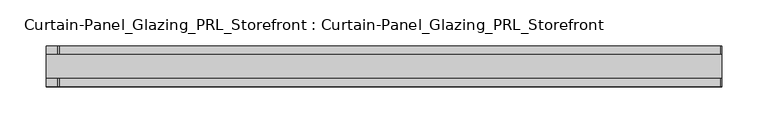
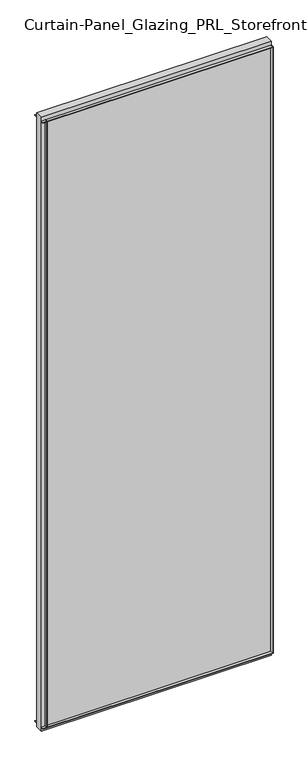
"""IFC4 building model written with IfcOpenShell, lengths in millimetres: plate geometry, Curtain-Panel_Glazing_PRL_Storefront : Curtain-Panel_Glazing_PRL_Storefront."""

from ifc_helpers import new_model, si_unit, frame, origin, origin_with_axes, place, context, project, spatial, polyline, outline, extrude, source, transform, mapped, element, save


def curtain_panel_glazing_prl_storefront_curtain_panel_glazing_5ced46e8(model_context):
    return source(origin(), model_context, "Body", "SweptSolid", [
        extrude(outline(polyline([(338.6666667, -22.225), (337.0791667, -22.225), (337.0791667, -12.7), (338.6666667, -12.7), (338.6666667, -22.225)])), frame((0.0, 0.0, 12.7), z_axis=(0.0, 0.0, 1.0), x_axis=(1.0, 0.0, 0.0)), (0.0, 0.0, 1.0), 2047.08125),
        extrude(outline(polyline([(338.6666667, 22.225), (338.6666667, 12.7), (337.0791667, 12.7), (337.0791667, 22.225), (338.6666667, 22.225)])), frame((0.0, 0.0, 12.7), z_axis=(0.0, 0.0, 1.0), x_axis=(1.0, 0.0, 0.0)), (0.0, 0.0, 1.0), 2047.08125),
        extrude(outline(polyline([(-383.1166667, -22.225), (-383.1166667, -12.7), (-381.5291667, -12.7), (-381.5291667, -22.225), (-383.1166667, -22.225)])), frame((0.0, 0.0, 12.7), z_axis=(0.0, 0.0, 1.0), x_axis=(1.0, 0.0, 0.0)), (0.0, 0.0, 1.0), 2047.08125),
        extrude(outline(polyline([(-383.1166667, 22.225), (-381.5291667, 22.225), (-381.5291667, 12.7), (-383.1166667, 12.7), (-383.1166667, 22.225)])), frame((0.0, 0.0, 12.7), z_axis=(0.0, 0.0, 1.0), x_axis=(1.0, 0.0, 0.0)), (0.0, 0.0, 1.0), 2047.08125),
        extrude(outline(polyline([(338.6666667, 12.7), (338.6666667, -12.7), (-395.8166667, -12.7), (-395.8166667, 12.7), (338.6666667, 12.7)])), origin_with_axes(), (0.0, 0.0, 1.0), 2072.48125),
        extrude(outline(polyline([(-395.8166667, -22.225), (-395.8166667, -12.7), (338.6666667, -12.7), (338.6666667, -22.225), (-395.8166667, -22.225)])), frame((0.0, 0.0, 2058.19375), z_axis=(0.0, 0.0, 1.0), x_axis=(1.0, 0.0, 0.0)), (0.0, 0.0, 1.0), 1.5875),
        extrude(outline(polyline([(-395.8166667, 22.225), (338.6666667, 22.225), (338.6666667, 12.7), (-395.8166667, 12.7), (-395.8166667, 22.225)])), frame((0.0, 0.0, 2058.19375), z_axis=(0.0, 0.0, 1.0), x_axis=(1.0, 0.0, 0.0)), (0.0, 0.0, 1.0), 1.5875),
        extrude(outline(polyline([(-395.8166667, -22.225), (-395.8166667, -12.7), (338.6666667, -12.7), (338.6666667, -22.225), (-395.8166667, -22.225)])), frame((0.0, 0.0, 12.7), z_axis=(0.0, 0.0, 1.0), x_axis=(1.0, 0.0, 0.0)), (0.0, 0.0, 1.0), 1.5875),
        extrude(outline(polyline([(-395.8166667, 22.225), (338.6666667, 22.225), (338.6666667, 12.7), (-395.8166667, 12.7), (-395.8166667, 22.225)])), frame((0.0, 0.0, 12.7), z_axis=(0.0, 0.0, 1.0), x_axis=(1.0, 0.0, 0.0)), (0.0, 0.0, 1.0), 1.5875),
    ])


if __name__ == "__main__":
    model = new_model("IFC4")
    model_context = context("Model", 3, world=origin())
    ifc_project = project(units=[si_unit("LENGTHUNIT", "METRE", prefix="MILLI")], contexts=[model_context])
    site = spatial("IfcSite", under=ifc_project)
    building = spatial("IfcBuilding", under=site)
    placement = place(None, origin())
    curtain_panel_glazing_prl_storefront_curtain_panel_glazing_shape = curtain_panel_glazing_prl_storefront_curtain_panel_glazing_5ced46e8(model_context)
    element("IfcPlate", 1, ObjectType="Curtain-Panel_Glazing_PRL_Storefront : Curtain-Panel_Glazing_PRL_Storefront", at=placement, inside=building, context=model_context, shape_type="MappedRepresentation", body=[
        mapped(curtain_panel_glazing_prl_storefront_curtain_panel_glazing_shape, transform((0.0, 0.0, 0.0), x_axis=(1.0, 0.0, 0.0), y_axis=(0.0, 1.0, 0.0), z_axis=(0.0, 0.0, 1.0))),
    ])
    save(model, "model.ifc")
